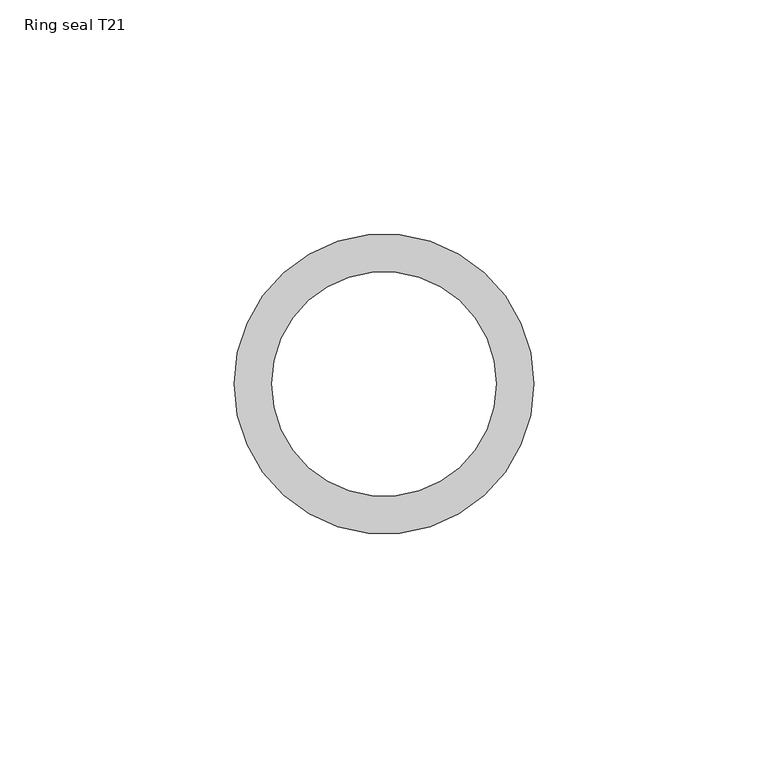
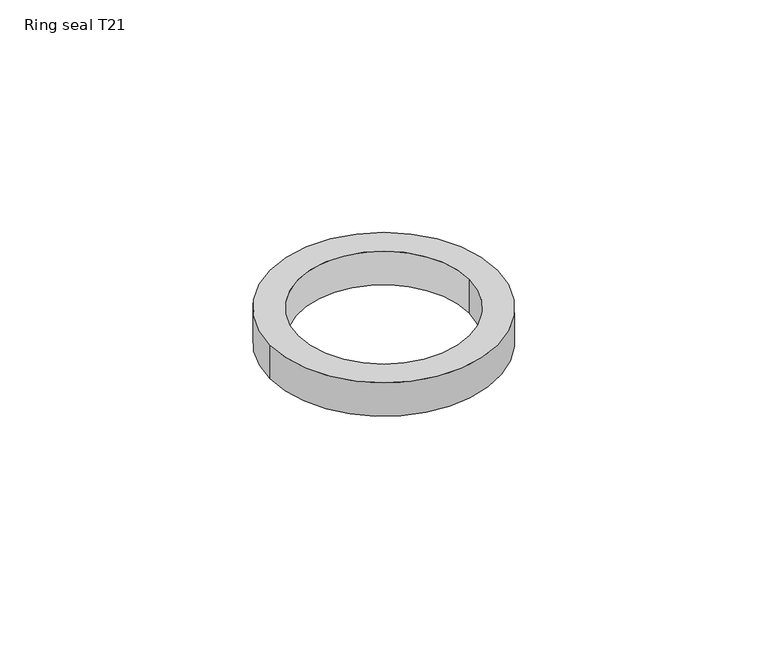
"""IFC4 building model written with IfcOpenShell, lengths in millimetres: proxy geometry, Ring seal T21."""

from ifc_helpers import new_model, si_unit, point, origin, origin_with_axes, origin_2d, place, context, project, spatial, circle_curve, trimmed, segment, composite_curve, outline, extrude, source, transform, mapped, element, save


def ring_seal_t21_78108aec(model_context):
    return source(origin(), model_context, "Body", "SweptSolid", [
        extrude(outline(composite_curve([segment(trimmed(circle_curve(origin_2d(), 32.0), [point((-32.0, 0.0))], [point((32.0, 0.0))], False, "CARTESIAN"), True, "CONTINUOUS"), segment(trimmed(circle_curve(origin_2d(), 32.0), [point((32.0, 0.0))], [point((-32.0, 0.0))], False, "CARTESIAN"), True, "CONTINUOUS")], self_intersect=False), holes=[composite_curve([segment(trimmed(circle_curve(origin_2d(), 24.0), [point((-24.0, 0.0))], [point((24.0, 0.0))], True, "CARTESIAN"), True, "CONTINUOUS"), segment(trimmed(circle_curve(origin_2d(), 24.0), [point((24.0, 0.0))], [point((-24.0, 0.0))], True, "CARTESIAN"), True, "CONTINUOUS")], self_intersect=False)]), origin_with_axes(), (0.0, 0.0, 1.0), 10.0),
    ])


if __name__ == "__main__":
    model = new_model("IFC4")
    model_context = context("Model", 3, world=origin())
    ifc_project = project(units=[si_unit("LENGTHUNIT", "METRE", prefix="MILLI")], contexts=[model_context])
    site = spatial("IfcSite", under=ifc_project)
    building = spatial("IfcBuilding", under=site)
    placement = place(None, origin())
    ring_seal_t21_shape = ring_seal_t21_78108aec(model_context)
    element("IfcBuildingElementProxy", 1, Name="Ring seal T21", ObjectType="Ring seal T21", at=placement, inside=building, context=model_context, shape_type="MappedRepresentation", body=[
        mapped(ring_seal_t21_shape, transform((0.0, 0.0, 0.0), x_axis=(1.0, 0.0, 0.0), y_axis=(0.0, 1.0, 0.0), z_axis=(0.0, 0.0, 1.0))),
    ])
    save(model, "model.ifc")
